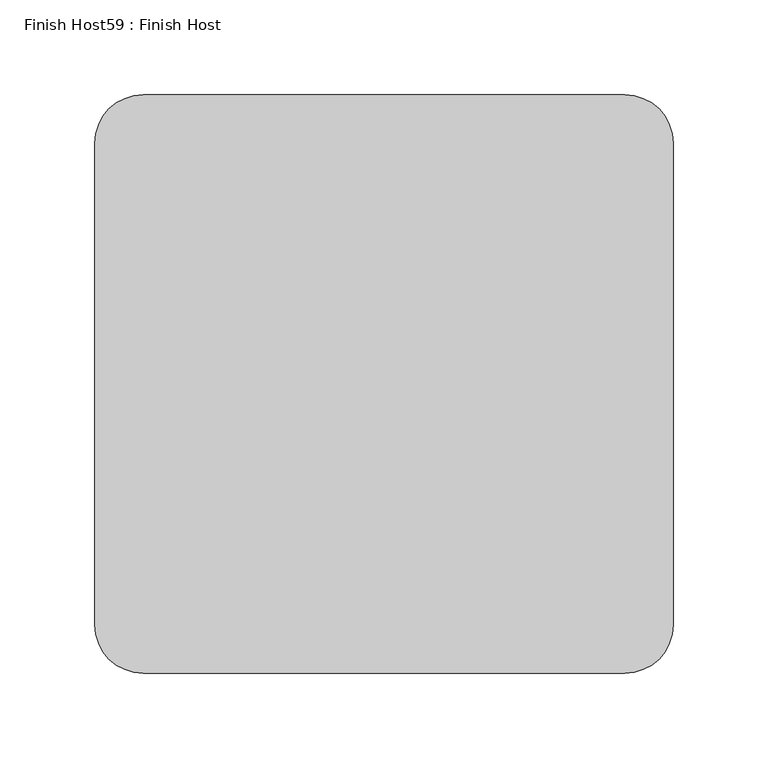
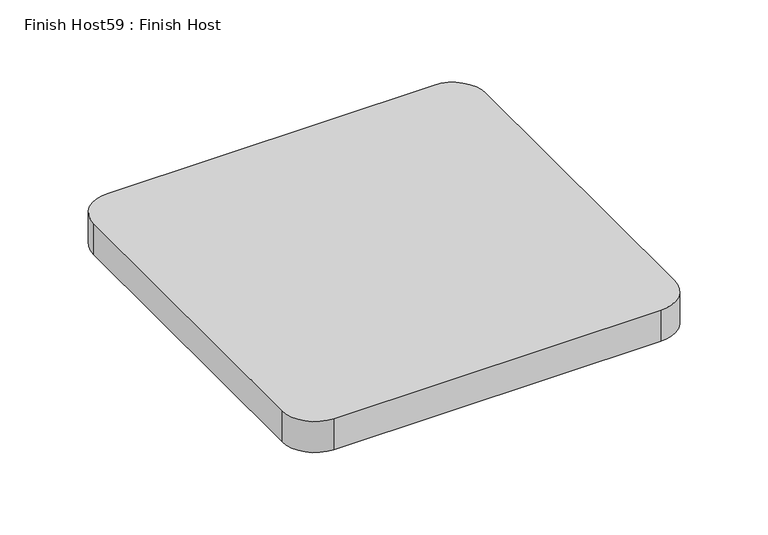
"""IFC4 building model written with IfcOpenShell, lengths in millimetres: proxy geometry, Finish Host59 : Finish Host."""

from ifc_helpers import new_model, si_unit, point, frame_2d, origin, origin_with_axes, place, context, project, spatial, polyline, circle_curve, trimmed, segment, composite_curve, outline, extrude, source, transform, mapped, element, save


def finish_host59_finish_host_d261e86d(model_context):
    return source(origin(), model_context, "Body", "SweptSolid", [
        extrude(outline(composite_curve([segment(polyline([(3832.6934426, 546.4122951), (3832.6934426, 800.4122951)]), True, "CONTINUOUS"), segment(trimmed(circle_curve(frame_2d((3858.0934426, 800.4122951)), 25.4), [point((3832.6934426, 800.4122951))], [point((3858.0934426, 825.8122951))], False, "CARTESIAN"), True, "CONTINUOUS"), segment(polyline([(3858.0934426, 825.8122951), (4112.0934426, 825.8122951)]), True, "CONTINUOUS"), segment(trimmed(circle_curve(frame_2d((4112.0934426, 800.4122951)), 25.4), [point((4112.0934426, 825.8122951))], [point((4137.4934426, 800.4122951))], False, "CARTESIAN"), True, "CONTINUOUS"), segment(polyline([(4137.4934426, 800.4122951), (4137.4934426, 546.4122951)]), True, "CONTINUOUS"), segment(trimmed(circle_curve(frame_2d((4112.0934426, 546.4122951)), 25.4), [point((4137.4934426, 546.4122951))], [point((4112.0934426, 521.0122951))], False, "CARTESIAN"), True, "CONTINUOUS"), segment(polyline([(4112.0934426, 521.0122951), (3858.0934426, 521.0122951)]), True, "CONTINUOUS"), segment(trimmed(circle_curve(frame_2d((3858.0934426, 546.4122951)), 25.4), [point((3858.0934426, 521.0122951))], [point((3832.6934426, 546.4122951))], False, "CARTESIAN"), True, "CONTINUOUS")], self_intersect=False)), origin_with_axes(), (0.0, 0.0, 1.0), 25.4),
    ])


if __name__ == "__main__":
    model = new_model("IFC4")
    model_context = context("Model", 3, world=origin())
    ifc_project = project(units=[si_unit("LENGTHUNIT", "METRE", prefix="MILLI")], contexts=[model_context])
    site = spatial("IfcSite", under=ifc_project)
    building = spatial("IfcBuilding", under=site)
    placement = place(None, origin())
    finish_host59_finish_host_shape = finish_host59_finish_host_d261e86d(model_context)
    element("IfcBuildingElementProxy", 1, Name="Finish Host59 : Finish Host", ObjectType="Finish Host59 : Finish Host", at=placement, inside=building, context=model_context, shape_type="MappedRepresentation", body=[
        mapped(finish_host59_finish_host_shape, transform((0.0, 0.0, 0.0), x_axis=(1.0, 0.0, 0.0), y_axis=(0.0, 1.0, 0.0), z_axis=(0.0, 0.0, 1.0))),
    ])
    save(model, "model.ifc")
